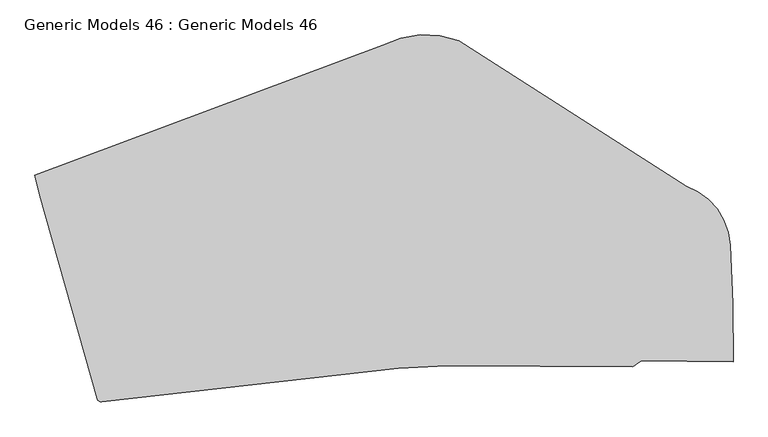
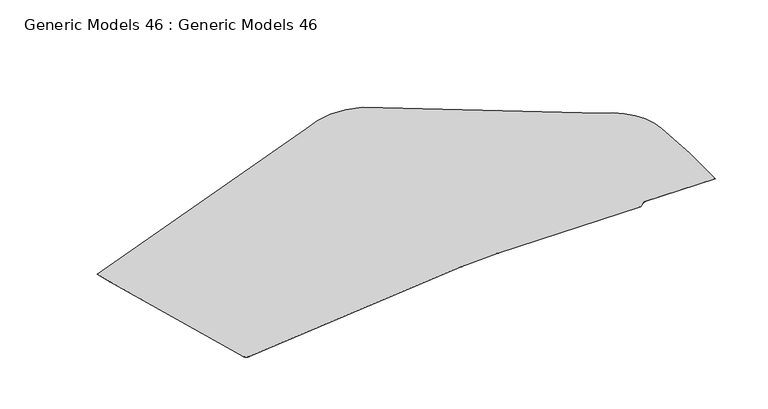
"""IFC4 building model written with IfcOpenShell, lengths in millimetres: proxy geometry, Generic Models 46 : Generic Models 46."""

from ifc_helpers import new_model, si_unit, point, frame_2d, origin, origin_with_axes, place, context, project, spatial, polyline, circle_curve, trimmed, segment, composite_curve, outline, extrude, source, transform, mapped, element, save


def generic_models_46_generic_models_46_537a3740(model_context):
    return source(origin(), model_context, "Body", "SweptSolid", [
        extrude(outline(composite_curve([segment(polyline([(-546230.9792916, 19347.2518732), (-314709.4317055, 105894.2552076)]), True, "CONTINUOUS"), segment(trimmed(circle_curve(frame_2d((-285809.7140098, 49916.4318697)), 62997.7014544), [point((-314709.4317055, 105894.2552076))], [point((-264005.5657583, 109020.488478))], False, "CARTESIAN"), True, "CONTINUOUS"), segment(polyline([(-264005.5657583, 109020.488478), (-112543.8471588, 11966.8831757)]), True, "CONTINUOUS"), segment(trimmed(circle_curve(frame_2d((-126770.6239722, -29225.7497607)), 43580.2040694), [point((-112543.8471588, 11966.8831757))], [point((-83236.9880175, -27211.6178641))], False, "CARTESIAN"), True, "CONTINUOUS"), segment(polyline([(-83236.9880175, -27211.6178641), (-81292.6099096, -66254.0560784), (-81197.0753935, -104787.9733581), (-142406.5427565, -104383.8753559), (-148090.6140047, -108345.1042127), (-271509.945541, -107501.2287084)]), True, "CONTINUOUS"), segment(trimmed(circle_curve(frame_2d((-273390.2047867, -382494.8006785)), 274999.9999995), [point((-271509.945541, -107501.2287084))], [point((-304349.8470857, -109243.0842184))], True, "CARTESIAN"), True, "CONTINUOUS"), segment(polyline([(-304349.8470857, -109243.0842184), (-501584.3790014, -131589.91752)]), True, "CONTINUOUS"), segment(trimmed(circle_curve(frame_2d((-501922.1205538, -128608.9897041)), 3000.0), [point((-501584.3790014, -131589.91752))], [point((-504809.6134368, -129422.859995))], False, "CARTESIAN"), True, "CONTINUOUS"), segment(polyline([(-504809.6134368, -129422.859995), (-542972.863268, 5974.7746296), (-546230.9792916, 19347.2518732)]), True, "CONTINUOUS")], self_intersect=False)), origin_with_axes(), (0.0, 0.0, 1.0), 10.0),
    ])


if __name__ == "__main__":
    model = new_model("IFC4")
    model_context = context("Model", 3, world=origin())
    ifc_project = project(units=[si_unit("LENGTHUNIT", "METRE", prefix="MILLI")], contexts=[model_context])
    site = spatial("IfcSite", under=ifc_project)
    building = spatial("IfcBuilding", under=site)
    placement = place(None, origin())
    generic_models_46_generic_models_46_shape = generic_models_46_generic_models_46_537a3740(model_context)
    element("IfcBuildingElementProxy", 1, Name="Generic Models 46 : Generic Models 46", ObjectType="Generic Models 46 : Generic Models 46", at=placement, inside=building, context=model_context, shape_type="MappedRepresentation", body=[
        mapped(generic_models_46_generic_models_46_shape, transform((0.0, 0.0, 0.0), x_axis=(1.0, 0.0, 0.0), y_axis=(0.0, 1.0, 0.0), z_axis=(0.0, 0.0, 1.0))),
    ])
    save(model, "model.ifc")
